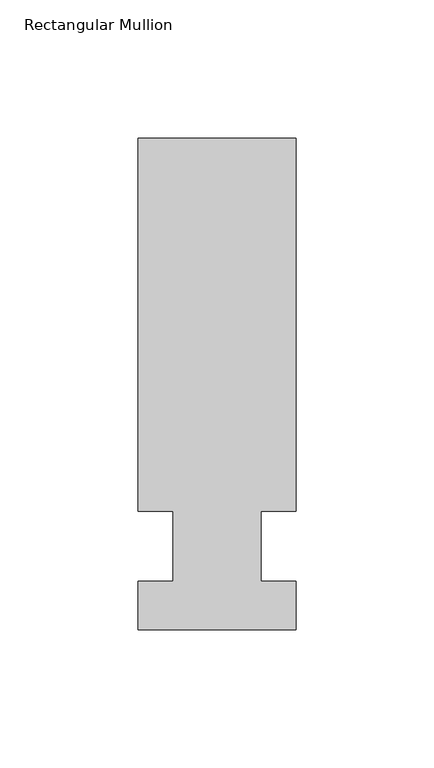
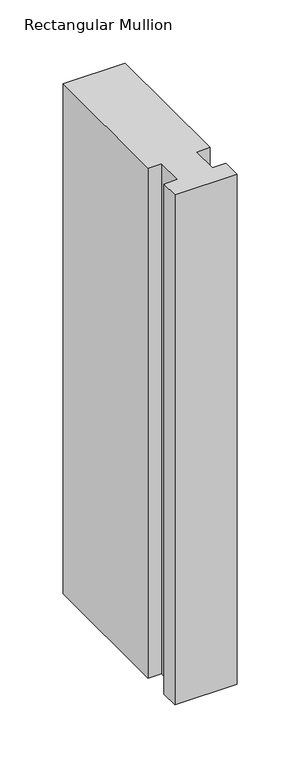
"""IFC4 building model written with IfcOpenShell, lengths in millimetres: member geometry, Rectangular Mullion."""

from ifc_helpers import new_model, si_unit, frame, origin, place, context, project, spatial, polyline, outline, extrude, source, transform, mapped, element, save


def rectangular_mullion_04eae799(model_context):
    return source(origin(), model_context, "Body", "SweptSolid", [
        extrude(outline(polyline([(28.575, 147.6375), (28.575, 12.7), (15.8732296, 12.7), (15.8732296, -12.7), (28.575, -12.7), (28.575, -30.1625), (-28.575, -30.1625), (-28.575, -12.7), (-15.875, -12.7), (-15.875, 12.7), (-28.575, 12.7), (-28.575, 147.6375), (28.575, 147.6375)])), frame((0.0, 0.0, -494.1405973), z_axis=(0.0, 0.0, 1.0), x_axis=(1.0, 0.0, 0.0)), (0.0, 0.0, 1.0), 494.1405973),
    ])


if __name__ == "__main__":
    model = new_model("IFC4")
    model_context = context("Model", 3, world=origin())
    ifc_project = project(units=[si_unit("LENGTHUNIT", "METRE", prefix="MILLI")], contexts=[model_context])
    site = spatial("IfcSite", under=ifc_project)
    building = spatial("IfcBuilding", under=site)
    placement = place(None, origin())
    rectangular_mullion_shape = rectangular_mullion_04eae799(model_context)
    element("IfcMember", 1, ObjectType="Rectangular Mullion", at=placement, inside=building, context=model_context, shape_type="MappedRepresentation", body=[
        mapped(rectangular_mullion_shape, transform((0.0, 0.0, 0.0), x_axis=(1.0, 0.0, 0.0), y_axis=(0.0, 1.0, 0.0), z_axis=(0.0, 0.0, 1.0))),
    ])
    save(model, "model.ifc")
